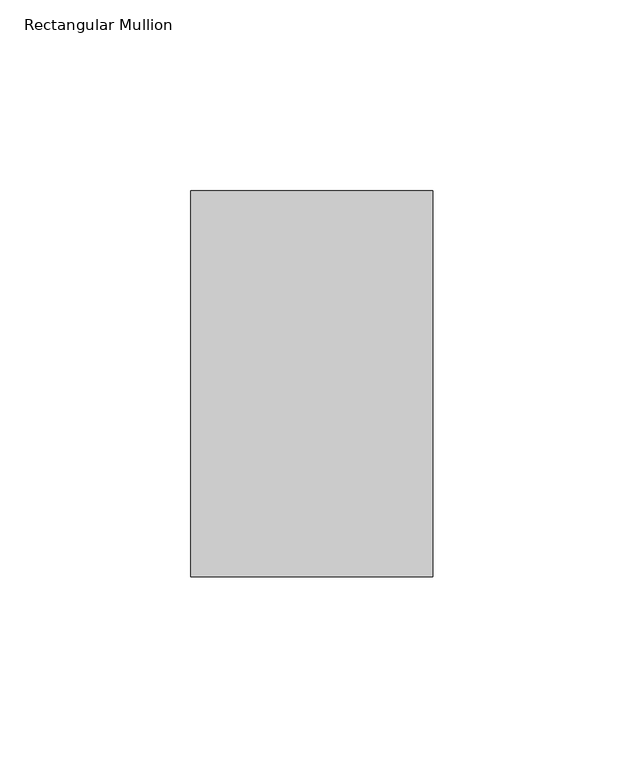
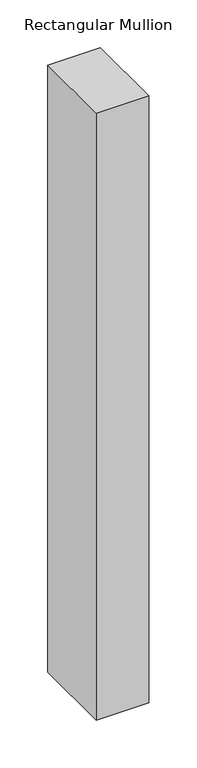
"""IFC4 building model written with IfcOpenShell, lengths in millimetres: member geometry, Rectangular Mullion."""

from ifc_helpers import new_model, si_unit, frame, origin, place, context, project, spatial, polyline, outline, extrude, source, transform, mapped, element, save


def rectangular_mullion_eb3f4d55(model_context):
    return source(origin(), model_context, "Body", "SweptSolid", [
        extrude(outline(polyline([(31.7499998, 152.4896938), (31.7499998, 51.2960938), (-31.7499998, 51.2960938), (-31.7499998, 152.4896938), (31.7499998, 152.4896938)])), frame((0.0, 0.0, -774.6999999), z_axis=(0.0, 0.0, 1.0), x_axis=(1.0, 0.0, 0.0)), (0.0, 0.0, 1.0), 774.6999999),
    ])


if __name__ == "__main__":
    model = new_model("IFC4")
    model_context = context("Model", 3, world=origin())
    ifc_project = project(units=[si_unit("LENGTHUNIT", "METRE", prefix="MILLI")], contexts=[model_context])
    site = spatial("IfcSite", under=ifc_project)
    building = spatial("IfcBuilding", under=site)
    placement = place(None, origin())
    rectangular_mullion_shape = rectangular_mullion_eb3f4d55(model_context)
    element("IfcMember", 1, ObjectType="Rectangular Mullion", at=placement, inside=building, context=model_context, shape_type="MappedRepresentation", body=[
        mapped(rectangular_mullion_shape, transform((0.0, 0.0, 0.0), x_axis=(1.0, 0.0, 0.0), y_axis=(0.0, 1.0, 0.0), z_axis=(0.0, 0.0, 1.0))),
    ])
    save(model, "model.ifc")
